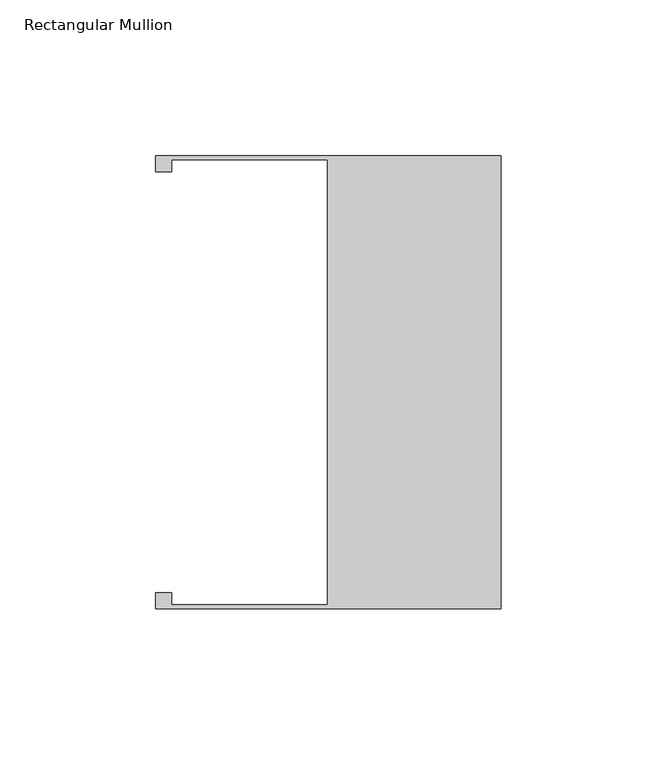
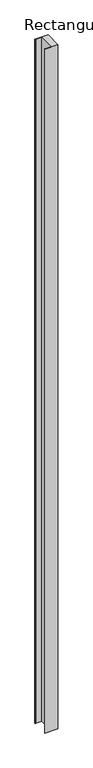
"""IFC4 building model written with IfcOpenShell, lengths in millimetres: member geometry, Rectangular Mullion."""

from ifc_helpers import new_model, si_unit, frame, origin, place, context, project, spatial, polyline, outline, extrude, source, transform, mapped, element, save


def rectangular_mullion_efc081aa(model_context):
    return source(origin(), model_context, "Body", "SweptSolid", [
        extrude(outline(polyline([(0.0, 72.5785156), (0.0, -72.5785156), (-110.744, -72.5785156), (-110.744, -67.506169), (-105.664, -67.506169), (-105.664, -71.308169), (-55.739, -71.308169), (-55.739, 71.3085156), (-105.664, 71.3085156), (-105.664, 67.5060265), (-110.744, 67.5060265), (-110.744, 72.5785156), (0.0, 72.5785156)])), frame((0.0, 0.0, -6096.0), z_axis=(0.0, 0.0, 1.0), x_axis=(1.0, 0.0, 0.0)), (0.0, 0.0, 1.0), 6096.0),
    ])


if __name__ == "__main__":
    model = new_model("IFC4")
    model_context = context("Model", 3, world=origin())
    ifc_project = project(units=[si_unit("LENGTHUNIT", "METRE", prefix="MILLI")], contexts=[model_context])
    site = spatial("IfcSite", under=ifc_project)
    building = spatial("IfcBuilding", under=site)
    placement = place(None, origin())
    rectangular_mullion_shape = rectangular_mullion_efc081aa(model_context)
    element("IfcMember", 1, ObjectType="Rectangular Mullion", at=placement, inside=building, context=model_context, shape_type="MappedRepresentation", body=[
        mapped(rectangular_mullion_shape, transform((0.0, 0.0, 0.0), x_axis=(1.0, 0.0, 0.0), y_axis=(0.0, 1.0, 0.0), z_axis=(0.0, 0.0, 1.0))),
    ])
    save(model, "model.ifc")
